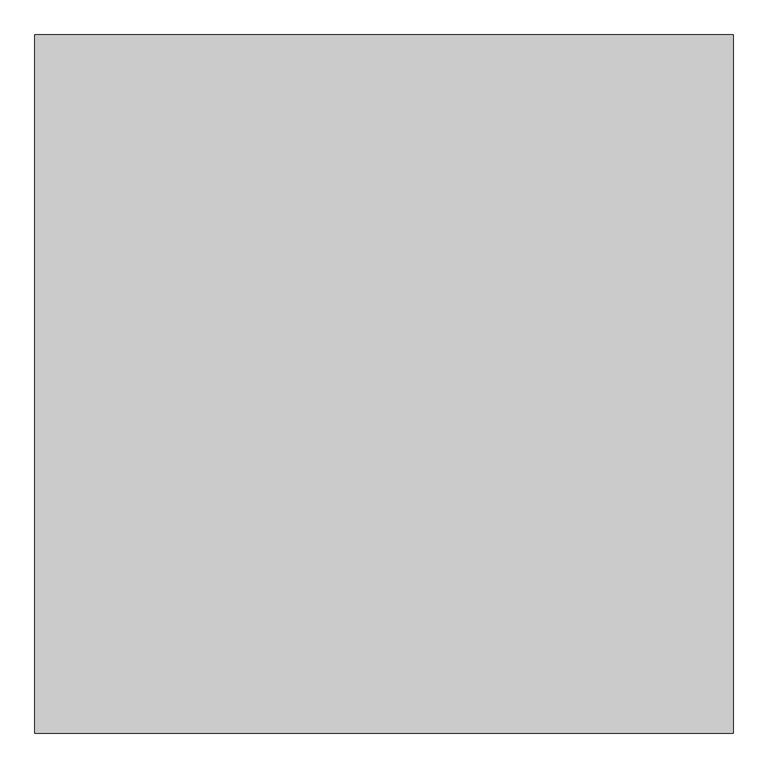
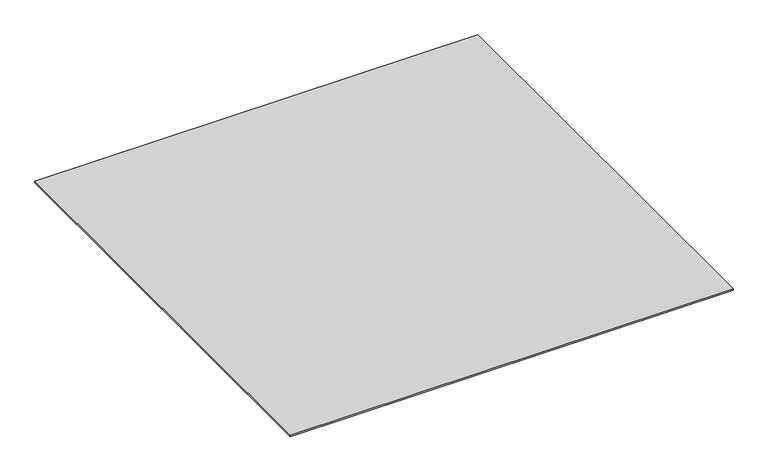
"""IFC4 building model written with IfcOpenShell, lengths in millimetres: proxy geometry."""

from ifc_helpers import new_model, si_unit, origin, origin_with_axes, place, context, project, spatial, polyline, outline, extrude, source, transform, mapped, element, save


def generic_models_70721c58(model_context):
    return source(origin(), model_context, "Body", "SweptSolid", [
        extrude(outline(polyline([(-16196.9237868, -35187.355679), (-16196.9237868, -36187.355679), (-17196.9237868, -36187.355679), (-17196.9237868, -35187.355679), (-16196.9237868, -35187.355679)])), origin_with_axes(), (0.0, 0.0, 1.0), 3.0),
    ])


if __name__ == "__main__":
    model = new_model("IFC4")
    model_context = context("Model", 3, world=origin())
    ifc_project = project(units=[si_unit("LENGTHUNIT", "METRE", prefix="MILLI")], contexts=[model_context])
    site = spatial("IfcSite", under=ifc_project)
    building = spatial("IfcBuilding", under=site)
    placement = place(None, origin())
    generic_models_shape = generic_models_70721c58(model_context)
    element("IfcBuildingElementProxy", 1, Name="Generic Models", at=placement, inside=building, context=model_context, shape_type="MappedRepresentation", body=[
        mapped(generic_models_shape, transform((0.0, 0.0, 0.0), x_axis=(1.0, 0.0, 0.0), y_axis=(0.0, 1.0, 0.0), z_axis=(0.0, 0.0, 1.0))),
    ])
    save(model, "model.ifc")
